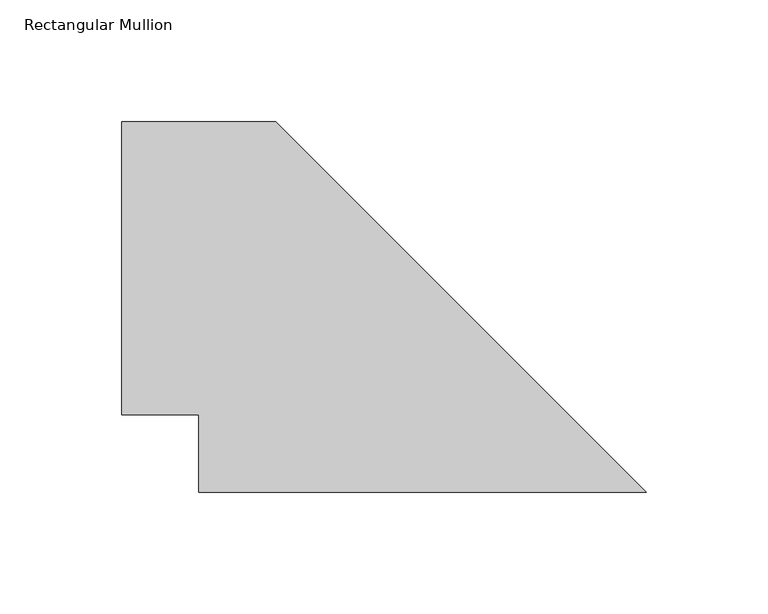
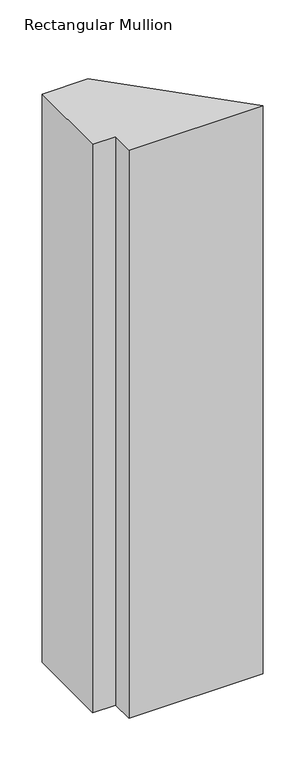
"""IFC4 building model written with IfcOpenShell, lengths in millimetres: member geometry, Rectangular Mullion."""

from ifc_helpers import new_model, si_unit, frame, origin, place, context, project, spatial, polyline, outline, extrude, source, transform, mapped, element, save


def rectangular_mullion_6f9a5d36(model_context):
    return source(origin(), model_context, "Body", "SweptSolid", [
        extrude(outline(polyline([(-215.9, 152.4), (-152.4, 152.4), (0.0, 0.0), (-184.15, 0.0), (-184.15, 31.75), (-215.9, 31.75), (-215.9, 152.4)])), frame((0.0, 0.0, -825.4868072), z_axis=(0.0, 0.0, 1.0), x_axis=(1.0, 0.0, 0.0)), (0.0, 0.0, 1.0), 825.4868072),
    ])


if __name__ == "__main__":
    model = new_model("IFC4")
    model_context = context("Model", 3, world=origin())
    ifc_project = project(units=[si_unit("LENGTHUNIT", "METRE", prefix="MILLI")], contexts=[model_context])
    site = spatial("IfcSite", under=ifc_project)
    building = spatial("IfcBuilding", under=site)
    placement = place(None, origin())
    rectangular_mullion_shape = rectangular_mullion_6f9a5d36(model_context)
    element("IfcMember", 1, ObjectType="Rectangular Mullion", at=placement, inside=building, context=model_context, shape_type="MappedRepresentation", body=[
        mapped(rectangular_mullion_shape, transform((0.0, 0.0, 0.0), x_axis=(1.0, 0.0, 0.0), y_axis=(0.0, 1.0, 0.0), z_axis=(0.0, 0.0, 1.0))),
    ])
    save(model, "model.ifc")
